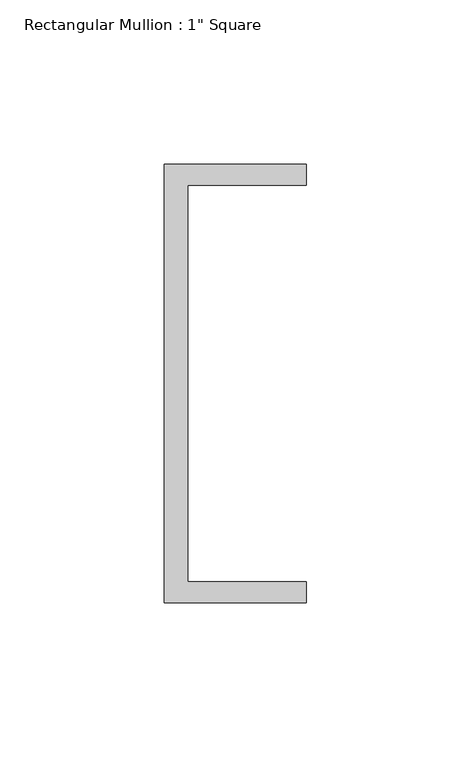
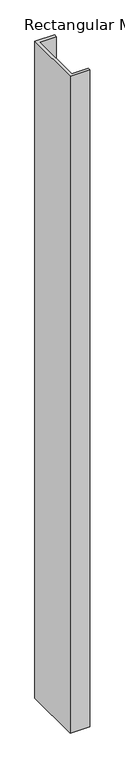
"""IFC4 building model written with IfcOpenShell, lengths in millimetres: member geometry."""

from ifc_helpers import new_model, si_unit, frame, origin, place, context, project, spatial, polyline, outline, extrude, source, transform, mapped, element, save


def member_004c1fe3(model_context):
    return source(origin(), model_context, "Body", "SweptSolid", [
        extrude(outline(polyline([(-18.6549463, 135.2608739), (24.5675083, 135.2608739), (24.5675083, 128.9108739), (-11.6110886, 128.9108739), (-11.6110886, 8.2608739), (24.5675083, 8.2608739), (24.5675083, 1.9108739), (-18.6549463, 1.9108739), (-18.6549463, 135.2608739)])), frame((0.0, 0.0, -1522.9566533), z_axis=(0.0, 0.0, 1.0), x_axis=(1.0, 0.0, 0.0)), (0.0, 0.0, 1.0), 1522.9566533),
    ])


if __name__ == "__main__":
    model = new_model("IFC4")
    model_context = context("Model", 3, world=origin())
    ifc_project = project(units=[si_unit("LENGTHUNIT", "METRE", prefix="MILLI")], contexts=[model_context])
    site = spatial("IfcSite", under=ifc_project)
    building = spatial("IfcBuilding", under=site)
    placement = place(None, origin())
    member_shape = member_004c1fe3(model_context)
    element("IfcMember", 1, ObjectType="Rectangular Mullion : 1\" Square", at=placement, inside=building, context=model_context, shape_type="MappedRepresentation", body=[
        mapped(member_shape, transform((0.0, 0.0, 0.0), x_axis=(1.0, 0.0, 0.0), y_axis=(0.0, 1.0, 0.0), z_axis=(0.0, 0.0, 1.0))),
    ])
    save(model, "model.ifc")
